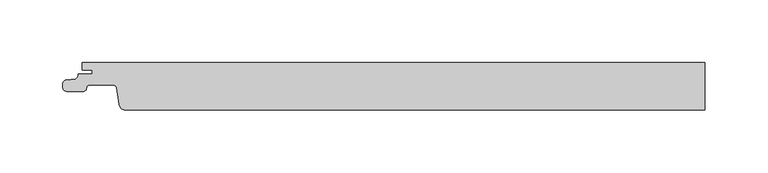
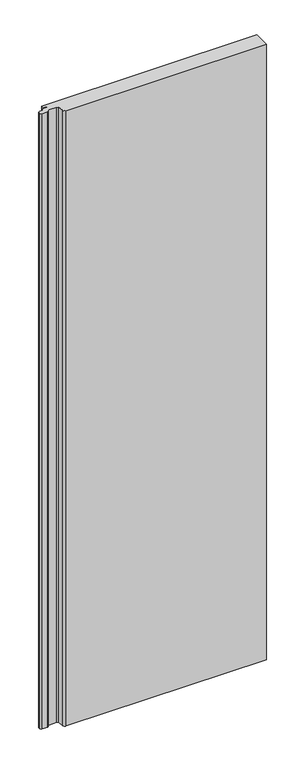
"""IFC4 building model written with IfcOpenShell, lengths in millimetres: proxy geometry."""

from ifc_helpers import new_model, si_unit, frame, origin, place, context, project, spatial, polyline, circle_curve, source, transform, mapped, element, save
from ifc_brep_helpers import plane_surface, cylinder_surface, revolved_surface, advanced_brep


def generic_models_03b54c2f(model_context):
    return source(origin(), model_context, "Body", "AdvancedBrep", [
        advanced_brep(
        [(-462.1258654, -19.0, 1500.0), (-3e-07, -19.0, 1500.0), (-3e-07, 19.0, 1500.0), (-496.8201817, 19.0, 1500.0), (-496.8201817, 13.0, 1500.0), (-488.8201818, 13.0, 1500.0), (-488.8201818, 10.0000004, 1500.0), (-500.0, 10.0000004, 1500.0), (-500.0, 9.2119514, 1500.0), (-502.1022925, 5.8003409, 1500.0), (-509.3990803, 5.1619547, 1500.0), (-512.3201819, 1.9741325, 1500.0), (-512.3201819, -0.8, 1500.0), (-509.1201818, -4.0, 1500.0), (-495.8890733, -4.0, 1500.0), (-493.4041499, -1.4803363, 1500.0), (-490.8699744, 1.0000008, 1500.0), (-471.869975, 1.0000008, 1500.0), (-469.4007538, -1.108914, 1500.0), (-467.2618449, -14.6134595, 1500.0), (-496.8201817, 19.0, 0.0), (-3e-07, 19.0, 0.0), (-3e-07, -19.0, 0.0), (-462.1258654, -19.0, 0.0), (-467.2618449, -14.6134595, 0.0), (-469.4007538, -1.108914, 0.0), (-471.869975, 1.0000008, 0.0), (-490.8699744, 1.0000008, 0.0), (-493.3542541, -1.4766379, 0.0), (-495.8890733, -4.0, 0.0), (-509.1201818, -4.0, 0.0), (-512.3201819, -0.8, 0.0), (-512.3201819, 1.9741325, 0.0), (-509.3990803, 5.1619547, 0.0), (-502.1022925, 5.8003409, 0.0), (-500.0, 9.2119514, 0.0), (-500.0, 10.0000004, 0.0), (-488.8201818, 10.0000004, 0.0), (-488.8201818, 13.0, 0.0), (-496.8201817, 13.0, 0.0)],
        [
            (0, 1),
            (1, 2),
            (2, 3),
            (3, 4),
            (4, 5),
            (5, 6),
            (6, 7),
            (7, 8),
            (8, 9, circle_curve(frame((-503.8193353, 9.2119514, 1500.0), z_axis=(0.0, 0.0, -1.0), x_axis=(1.0, 0.0, 0.0)), 3.8193353)),
            (9, 10),
            (10, 11, circle_curve(frame((-509.0519935, 1.9116485, 1500.0), z_axis=(0.0, 0.0, 1.0), x_axis=(1.0, 0.0, 0.0)), 3.2687857)),
            (11, 12),
            (12, 13, circle_curve(frame((-509.1681836, -0.8480017, 1500.0), z_axis=(0.0, 0.0, 1.0), x_axis=(1.0, 0.0, 0.0)), 3.1523638)),
            (13, 14),
            (14, 15, circle_curve(frame((-495.7478996, -1.6540644, 1500.0), z_axis=(0.0, 0.0, 1.0), x_axis=(1.0, 0.0, 0.0)), 2.3501795)),
            (15, 16, circle_curve(frame((-491.0480249, -1.3056909, 1500.0), z_axis=(0.0, 0.0, -1.0), x_axis=(1.0, 0.0, 0.0)), 2.3125562)),
            (16, 17),
            (17, 18, circle_curve(frame((-471.8642031, -1.4932414, 1500.0), z_axis=(0.0, 0.0, -1.0), x_axis=(1.0, 0.0, 0.0)), 2.4932489)),
            (18, 19),
            (19, 0, circle_curve(frame((-462.186788, -13.871331, 1500.0), z_axis=(0.0, 0.0, 1.0), x_axis=(1.0, 0.0, 0.0)), 5.1290309)),
            (20, 21),
            (21, 22),
            (22, 23),
            (23, 24, circle_curve(frame((-462.186788, -13.871331, 0.0), z_axis=(0.0, 0.0, -1.0), x_axis=(1.0, 0.0, 0.0)), 5.1290309)),
            (24, 25),
            (25, 26, circle_curve(frame((-471.8642031, -1.4932414, 0.0), z_axis=(0.0, 0.0, 1.0), x_axis=(1.0, 0.0, 0.0)), 2.4932489)),
            (26, 27),
            (27, 28, circle_curve(frame((-491.0480249, -1.3056909, 0.0), z_axis=(0.0, 0.0, 1.0), x_axis=(1.0, 0.0, 0.0)), 2.3125562)),
            (28, 29, circle_curve(frame((-495.7478996, -1.6540644, 0.0), z_axis=(0.0, 0.0, -1.0), x_axis=(1.0, 0.0, 0.0)), 2.3501795)),
            (29, 30),
            (30, 31, circle_curve(frame((-509.1681836, -0.8480017, 0.0), z_axis=(0.0, 0.0, -1.0), x_axis=(1.0, 0.0, 0.0)), 3.1523638)),
            (31, 32),
            (32, 33, circle_curve(frame((-509.0519935, 1.9116485, 0.0), z_axis=(0.0, 0.0, -1.0), x_axis=(1.0, 0.0, 0.0)), 3.2687857)),
            (33, 34),
            (34, 35, circle_curve(frame((-503.8193353, 9.2119514, 0.0), z_axis=(0.0, 0.0, 1.0), x_axis=(1.0, 0.0, 0.0)), 3.8193353)),
            (35, 36),
            (36, 37),
            (37, 38),
            (38, 39),
            (39, 20),
            (1, 22),
            (21, 2),
            (0, 23),
            (19, 24),
            (18, 25),
            (17, 26),
            (16, 27),
            (15, 28),
            (14, 29),
            (13, 30),
            (12, 31),
            (11, 32),
            (10, 33),
            (9, 34),
            (8, 35),
            (7, 36),
            (6, 37),
            (5, 38),
            (4, 39),
            (3, 20),
        ],
        [
            plane_surface(frame((489.3222054, -1.8038036, 1500.0), z_axis=(0.0, 0.0, 1.0), x_axis=(0.0, 1.0, 0.0))),
            plane_surface(frame((489.3222054, -1.8038036, 0.0), z_axis=(0.0, 0.0, -1.0), x_axis=(0.0, -1.0, 0.0))),
            plane_surface(frame((-3e-07, -19.0, 1500.0), z_axis=(1.0, 0.0, 0.0), x_axis=(0.0, 0.0, -1.0))),
            plane_surface(frame((523.545754, -19.0, 1500.0), z_axis=(0.0, -1.0, 0.0), x_axis=(0.0, 0.0, -1.0))),
            cylinder_surface(frame((-462.186788, -13.871331, 0.0), z_axis=(0.0, 0.0, 1.0), x_axis=(1.0, 0.0, 0.0)), 5.1290309),
            plane_surface(frame((-467.2618449, -14.6134595, 1500.0), z_axis=(-0.9876883510848851, -0.15643439881055846, 0.0), x_axis=(0.0, 0.0, -1.0))),
            revolved_surface(polyline([(-469.37095419999997, -1.4932414, 0.0), (-469.37095419999997, -1.4932414, 1500.0)]), (-471.8642031, -1.4932414, 0.0), (0.0, 0.0, -1.0)),
            plane_surface(frame((-471.869975, 1.0000008, 1500.0), z_axis=(0.0, -1.0, 0.0), x_axis=(0.0, 0.0, -1.0))),
            revolved_surface(polyline([(-488.73546869999996, -1.3056909, 0.0), (-488.73546869999996, -1.3056909, 1500.0)]), (-491.0480249, -1.3056909, 0.0), (0.0, 0.0, -1.0)),
            cylinder_surface(frame((-495.7478996, -1.6540644, 0.0), z_axis=(0.0, 0.0, 1.0), x_axis=(1.0, 0.0, 0.0)), 2.3501795),
            plane_surface(frame((-495.8890733, -4.0, 1500.0), z_axis=(0.0, -1.0, 0.0), x_axis=(0.0, 0.0, -1.0))),
            cylinder_surface(frame((-509.1681836, -0.8480017, 0.0), z_axis=(0.0, 0.0, 1.0), x_axis=(1.0, 0.0, 0.0)), 3.1523638),
            plane_surface(frame((-512.3201819, -0.8, 1500.0), z_axis=(-1.0, 0.0, 0.0), x_axis=(0.0, 0.0, -1.0))),
            cylinder_surface(frame((-509.0519935, 1.9116485, 0.0), z_axis=(0.0, 0.0, 1.0), x_axis=(1.0, 0.0, 0.0)), 3.2687857),
            plane_surface(frame((-509.3990803, 5.1619547, 1500.0), z_axis=(-0.08715574563482881, 0.9961946978391508, 0.0), x_axis=(0.0, 0.0, -1.0))),
            revolved_surface(polyline([(-500.0, 9.2119514, 0.0), (-500.0, 9.2119514, 1500.0)]), (-503.8193353, 9.2119514, 0.0), (0.0, 0.0, -1.0)),
            plane_surface(frame((-500.0, 9.2119514, 1500.0), z_axis=(-1.0, 0.0, 0.0), x_axis=(0.0, 0.0, -1.0))),
            plane_surface(frame((-500.0, 10.0000004, 1500.0), z_axis=(0.0, 1.0, 0.0), x_axis=(0.0, 0.0, -1.0))),
            plane_surface(frame((-488.8201818, 10.0000004, 1500.0), z_axis=(-1.0, 0.0, 0.0), x_axis=(0.0, 0.0, -1.0))),
            plane_surface(frame((-488.8201818, 13.0, 1500.0), z_axis=(0.0, -1.0, 0.0), x_axis=(0.0, 0.0, -1.0))),
            plane_surface(frame((-496.8201817, 13.0, 1500.0), z_axis=(-1.0, 0.0, 0.0), x_axis=(0.0, 0.0, -1.0))),
            plane_surface(frame((-496.8201817, 19.0, 1500.0), z_axis=(0.0, 1.0, 0.0), x_axis=(0.0, 0.0, -1.0))),
        ],
        [
            (0, [[1, 2, 3, 4, 5, 6, 7, 8, 9, 10, 11, 12, 13, 14, 15, 16, 17, 18, 19, 20]]),
            (1, [[21, 22, 23, 24, 25, 26, 27, 28, 29, 30, 31, 32, 33, 34, 35, 36, 37, 38, 39, 40]]),
            (2, [[41, -22, 42, -2]]),
            (3, [[-23, -41, -1, 43]]),
            (4, [[44, -24, -43, -20]]),
            (5, [[45, -25, -44, -19]]),
            (6, [[46, -26, -45, -18]]),
            (7, [[47, -27, -46, -17]]),
            (8, [[48, -28, -47, -16]]),
            (9, [[49, -29, -48, -15]]),
            (10, [[50, -30, -49, -14]]),
            (11, [[51, -31, -50, -13]]),
            (12, [[52, -32, -51, -12]]),
            (13, [[53, -33, -52, -11]]),
            (14, [[54, -34, -53, -10]]),
            (15, [[55, -35, -54, -9]]),
            (16, [[56, -36, -55, -8]]),
            (17, [[57, -37, -56, -7]]),
            (18, [[58, -38, -57, -6]]),
            (19, [[59, -39, -58, -5]]),
            (20, [[60, -40, -59, -4]]),
            (21, [[-3, -42, -21, -60]]),
        ],
    ),
    ])


if __name__ == "__main__":
    model = new_model("IFC4")
    model_context = context("Model", 3, world=origin())
    ifc_project = project(units=[si_unit("LENGTHUNIT", "METRE", prefix="MILLI")], contexts=[model_context])
    site = spatial("IfcSite", under=ifc_project)
    building = spatial("IfcBuilding", under=site)
    placement = place(None, origin())
    generic_models_shape = generic_models_03b54c2f(model_context)
    element("IfcBuildingElementProxy", 1, Name="Generic Models", at=placement, inside=building, context=model_context, shape_type="MappedRepresentation", body=[
        mapped(generic_models_shape, transform((0.0, 0.0, 0.0), x_axis=(1.0, 0.0, 0.0), y_axis=(0.0, 1.0, 0.0), z_axis=(0.0, 0.0, 1.0))),
    ])
    save(model, "model.ifc")
